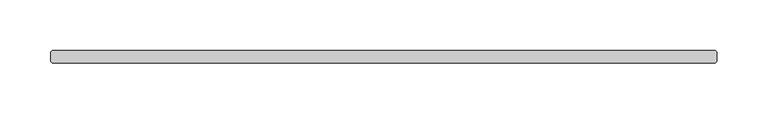
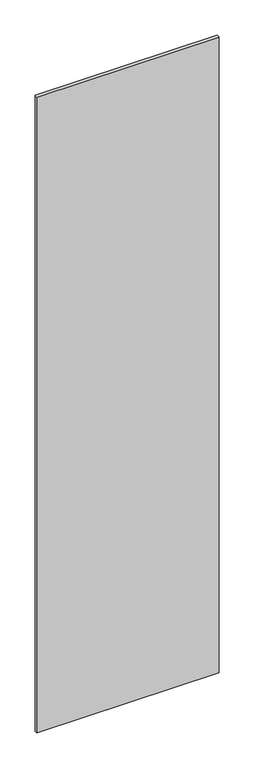
"""IFC4 building model written with IfcOpenShell, lengths in millimetres: plate geometry."""

from ifc_helpers import new_model, si_unit, origin, origin_with_axes, place, context, project, spatial, polyline, outline, extrude, source, transform, mapped, element, save


def plate_bc39676b(model_context):
    return source(origin(), model_context, "Body", "SweptSolid", [
        extrude(outline(polyline([(340.915625, -6.35), (-315.515625, -6.35), (-317.103125, -4.7625), (-317.103125, 4.7625), (-315.515625, 6.35), (340.915625, 6.35), (342.503125, 4.7625), (342.503125, -4.7625), (340.915625, -6.35)])), origin_with_axes(), (0.0, 0.0, 1.0), 2427.1914267),
    ])


if __name__ == "__main__":
    model = new_model("IFC4")
    model_context = context("Model", 3, world=origin())
    ifc_project = project(units=[si_unit("LENGTHUNIT", "METRE", prefix="MILLI")], contexts=[model_context])
    site = spatial("IfcSite", under=ifc_project)
    building = spatial("IfcBuilding", under=site)
    placement = place(None, origin())
    plate_shape = plate_bc39676b(model_context)
    element("IfcPlate", 1, at=placement, inside=building, context=model_context, shape_type="MappedRepresentation", body=[
        mapped(plate_shape, transform((0.0, 0.0, 0.0), x_axis=(1.0, 0.0, 0.0), y_axis=(0.0, 1.0, 0.0), z_axis=(0.0, 0.0, 1.0))),
    ])
    save(model, "model.ifc")
